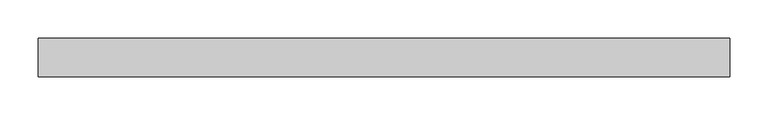
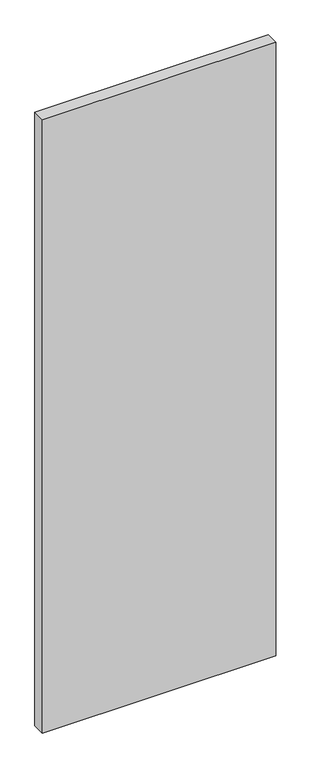
"""IFC4 building model written with IfcOpenShell, lengths in millimetres: proxy geometry."""

from ifc_helpers import new_model, si_unit, origin, origin_with_axes, place, context, project, spatial, polyline, outline, extrude, source, transform, mapped, element, save


def generic_models_f67c5266(model_context):
    return source(origin(), model_context, "Body", "SweptSolid", [
        extrude(outline(polyline([(-450.0001377, -25.0000049), (-450.0001381, 25.0000372), (450.0001377, 25.0000049), (450.0001381, -25.0000372), (-450.0001377, -25.0000049)])), origin_with_axes(), (0.0, 0.0, 1.0), 2500.0),
    ])


if __name__ == "__main__":
    model = new_model("IFC4")
    model_context = context("Model", 3, world=origin())
    ifc_project = project(units=[si_unit("LENGTHUNIT", "METRE", prefix="MILLI")], contexts=[model_context])
    site = spatial("IfcSite", under=ifc_project)
    building = spatial("IfcBuilding", under=site)
    placement = place(None, origin())
    generic_models_shape = generic_models_f67c5266(model_context)
    element("IfcBuildingElementProxy", 1, Name="Generic Models", at=placement, inside=building, context=model_context, shape_type="MappedRepresentation", body=[
        mapped(generic_models_shape, transform((0.0, 0.0, 0.0), x_axis=(1.0, 0.0, 0.0), y_axis=(0.0, 1.0, 0.0), z_axis=(0.0, 0.0, 1.0))),
    ])
    save(model, "model.ifc")
